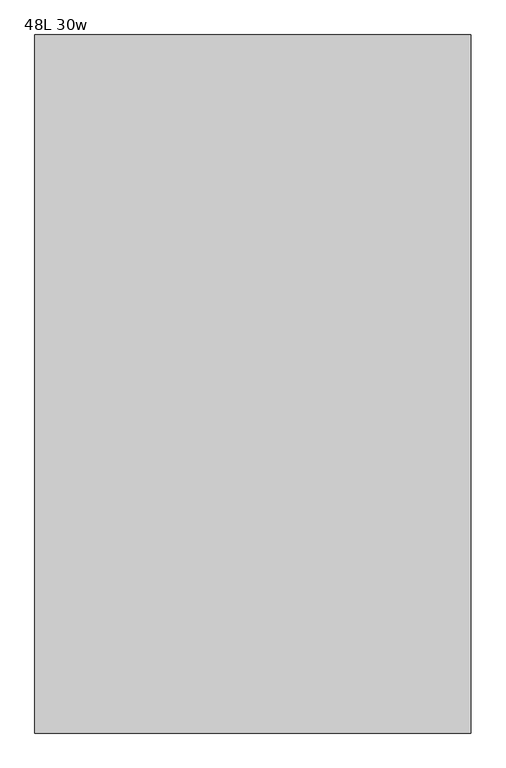
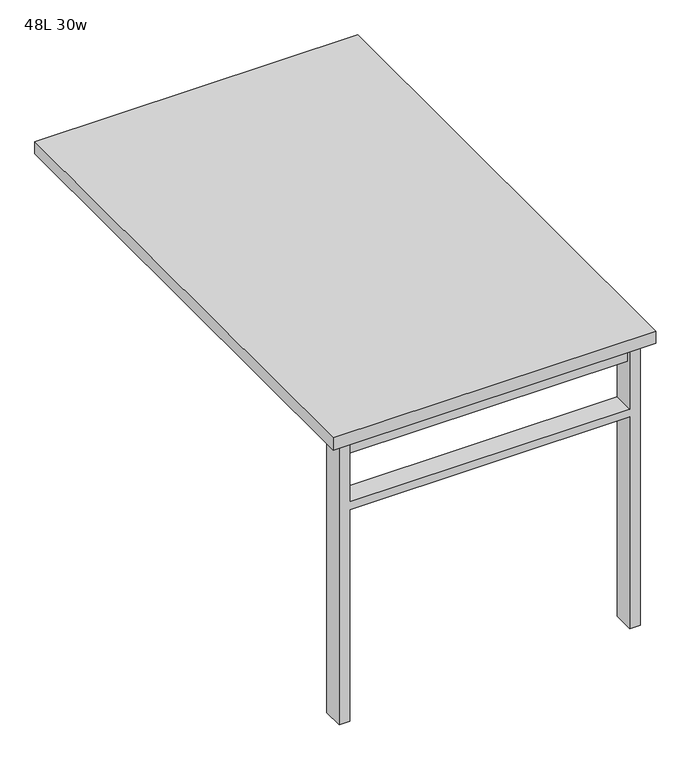
"""IFC4 building model written with IfcOpenShell, lengths in millimetres: furniture geometry, 48L 30w."""

from ifc_helpers import new_model, si_unit, frame, origin, place, context, project, spatial, polyline, outline, extrude, source, transform, mapped, element, save


def furniture_48l_30w_693cc921(model_context):
    return source(origin(), model_context, "Body", "SweptSolid", [
        extrude(outline(polyline([(-330.2, -549.275), (330.2, -549.275), (330.2, -581.025), (-330.2, -581.025), (-330.2, -549.275)])), frame((0.0, 0.0, 661.9875), z_axis=(0.0, 0.0, 1.0), x_axis=(1.0, 0.0, 0.0)), (0.0, 0.0, 1.0), 44.45),
        extrude(outline(polyline([(528.6375, 330.2), (0.0, 330.2), (0.0, 355.6), (706.4375, 355.6), (706.4375, 330.2), (547.6875, 330.2), (547.6875, -330.2), (706.4375, -330.2), (706.4375, -355.6), (0.0, -355.6), (0.0, -330.2), (528.6375, -330.2), (528.6375, 330.2)])), frame((0.0, -590.55, 0.0), z_axis=(0.0, 1.0, 0.0), x_axis=(0.0, 0.0, 1.0)), (0.0, 0.0, 1.0), 50.8),
        extrude(outline(polyline([(-381.0, -609.6), (-381.0, 609.6), (381.0, 609.6), (381.0, -609.6), (-381.0, -609.6)])), frame((0.0, 0.0, 706.4375), z_axis=(0.0, 0.0, 1.0), x_axis=(1.0, 0.0, 0.0)), (0.0, 0.0, 1.0), 30.1625),
    ])


if __name__ == "__main__":
    model = new_model("IFC4")
    model_context = context("Model", 3, world=origin())
    ifc_project = project(units=[si_unit("LENGTHUNIT", "METRE", prefix="MILLI")], contexts=[model_context])
    site = spatial("IfcSite", under=ifc_project)
    building = spatial("IfcBuilding", under=site)
    placement = place(None, origin())
    furniture_48l_30w_shape = furniture_48l_30w_693cc921(model_context)
    element("IfcFurniture", 1, ObjectType="48L 30w", at=placement, inside=building, context=model_context, shape_type="MappedRepresentation", body=[
        mapped(furniture_48l_30w_shape, transform((0.0, 0.0, 0.0), x_axis=(1.0, 0.0, 0.0), y_axis=(0.0, 1.0, 0.0), z_axis=(0.0, 0.0, 1.0))),
    ])
    save(model, "model.ifc")
